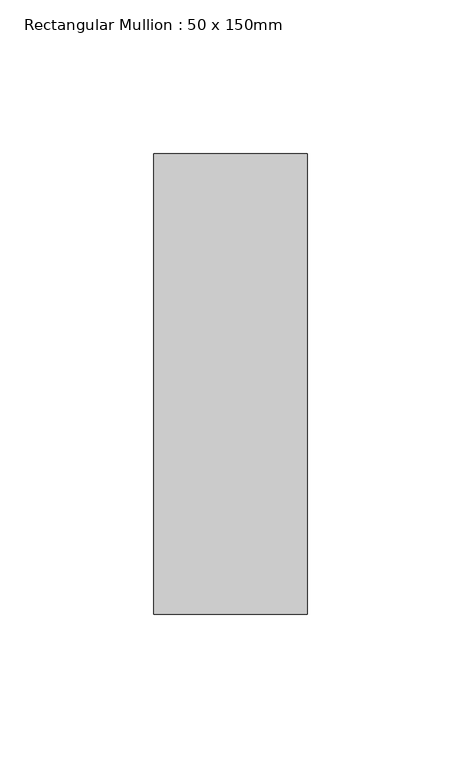
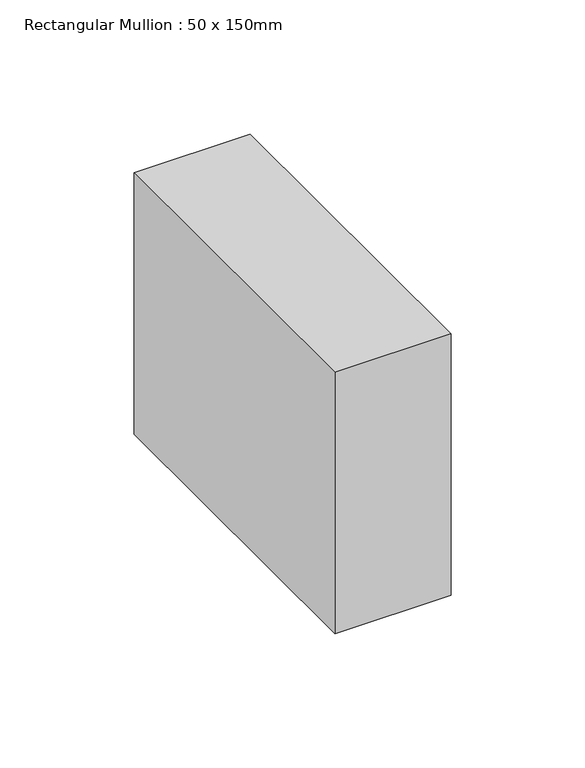
"""IFC4 building model written with IfcOpenShell, lengths in millimetres: member geometry, Rectangular Mullion : 50 x 150mm."""

from ifc_helpers import new_model, si_unit, frame, origin, place, context, project, spatial, polyline, outline, extrude, source, transform, mapped, element, save


def rectangular_mullion_50_x_150mm_3f6699d7(model_context):
    return source(origin(), model_context, "Body", "SweptSolid", [
        extrude(outline(polyline([(0.0, 75.0), (0.0, -75.0), (-50.0, -75.0), (-50.0, 75.0), (0.0, 75.0)])), frame((0.0, 0.0, -119.1147503), z_axis=(0.0, 0.0, 1.0), x_axis=(1.0, 0.0, 0.0)), (0.0, 0.0, 1.0), 119.1147503),
    ])


if __name__ == "__main__":
    model = new_model("IFC4")
    model_context = context("Model", 3, world=origin())
    ifc_project = project(units=[si_unit("LENGTHUNIT", "METRE", prefix="MILLI")], contexts=[model_context])
    site = spatial("IfcSite", under=ifc_project)
    building = spatial("IfcBuilding", under=site)
    placement = place(None, origin())
    rectangular_mullion_50_x_150mm_shape = rectangular_mullion_50_x_150mm_3f6699d7(model_context)
    element("IfcMember", 1, ObjectType="Rectangular Mullion : 50 x 150mm", at=placement, inside=building, context=model_context, shape_type="MappedRepresentation", body=[
        mapped(rectangular_mullion_50_x_150mm_shape, transform((0.0, 0.0, 0.0), x_axis=(1.0, 0.0, 0.0), y_axis=(0.0, 1.0, 0.0), z_axis=(0.0, 0.0, 1.0))),
    ])
    save(model, "model.ifc")
